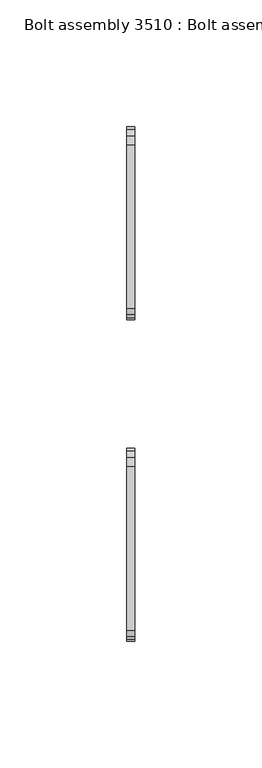
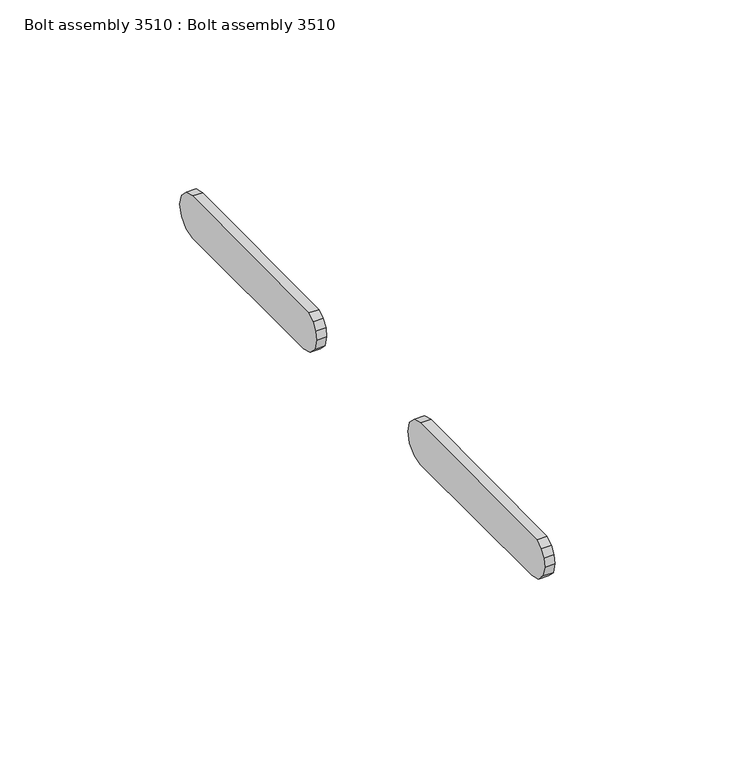
"""IFC4 building model written with IfcOpenShell, lengths in millimetres: proxy geometry, Bolt assembly 3510 : Bolt assembly 3510."""

from ifc_helpers import new_model, si_unit, frame, origin, place, context, project, spatial, polyline, outline, extrude, source, transform, mapped, element, save


def bolt_assembly_3510_bolt_assembly_3510_e1850f2b(model_context):
    return source(origin(), model_context, "Body", "SweptSolid", [
        extrude(outline(polyline([(1876.9688816, -70.2907284), (1878.5177229, -67.9727236), (1880.8357277, -66.4238823), (1945.4800007, -65.8800015), (1949.0525007, -66.83725), (1951.6677522, -69.4525015), (1952.6250007, -73.0250015), (1951.6677522, -76.5975015), (1949.0525007, -79.212753), (1945.4800007, -80.1700015), (1883.5700008, -80.1700015), (1879.9975008, -79.212753), (1877.3822493, -76.5975015), (1876.4250009, -73.0250015), (1876.9688816, -70.2907284)])), frame((987.4249985, 0.0, 0.0), z_axis=(1.0, 0.0, 0.0), x_axis=(0.0, 1.0, 0.0)), (0.0, 0.0, 1.0), 3.275),
        extrude(outline(polyline([(2003.9688816, -70.2907284), (2005.5177229, -67.9727236), (2007.8357277, -66.4238823), (2072.4800007, -65.8800015), (2076.0525007, -66.83725), (2078.6677522, -69.4525015), (2079.6250007, -73.0250015), (2078.6677522, -76.5975015), (2076.0525007, -79.212753), (2072.4800007, -80.1700015), (2010.5700008, -80.1700015), (2006.9975008, -79.212753), (2004.3822493, -76.5975015), (2003.4250009, -73.0250015), (2003.9688816, -70.2907284)])), frame((987.4249985, 0.0, 0.0), z_axis=(1.0, 0.0, 0.0), x_axis=(0.0, 1.0, 0.0)), (0.0, 0.0, 1.0), 3.275),
    ])


if __name__ == "__main__":
    model = new_model("IFC4")
    model_context = context("Model", 3, world=origin())
    ifc_project = project(units=[si_unit("LENGTHUNIT", "METRE", prefix="MILLI")], contexts=[model_context])
    site = spatial("IfcSite", under=ifc_project)
    building = spatial("IfcBuilding", under=site)
    placement = place(None, origin())
    bolt_assembly_3510_bolt_assembly_3510_shape = bolt_assembly_3510_bolt_assembly_3510_e1850f2b(model_context)
    element("IfcBuildingElementProxy", 1, Name="Bolt assembly 3510 : Bolt assembly 3510", ObjectType="Bolt assembly 3510 : Bolt assembly 3510", at=placement, inside=building, context=model_context, shape_type="MappedRepresentation", body=[
        mapped(bolt_assembly_3510_bolt_assembly_3510_shape, transform((0.0, 0.0, 0.0), x_axis=(1.0, 0.0, 0.0), y_axis=(0.0, 1.0, 0.0), z_axis=(0.0, 0.0, 1.0))),
    ])
    save(model, "model.ifc")
